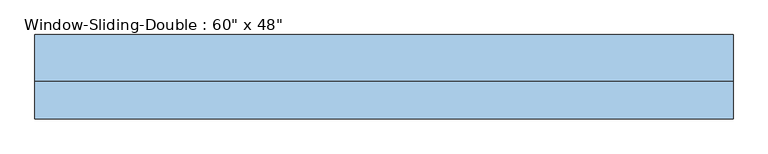
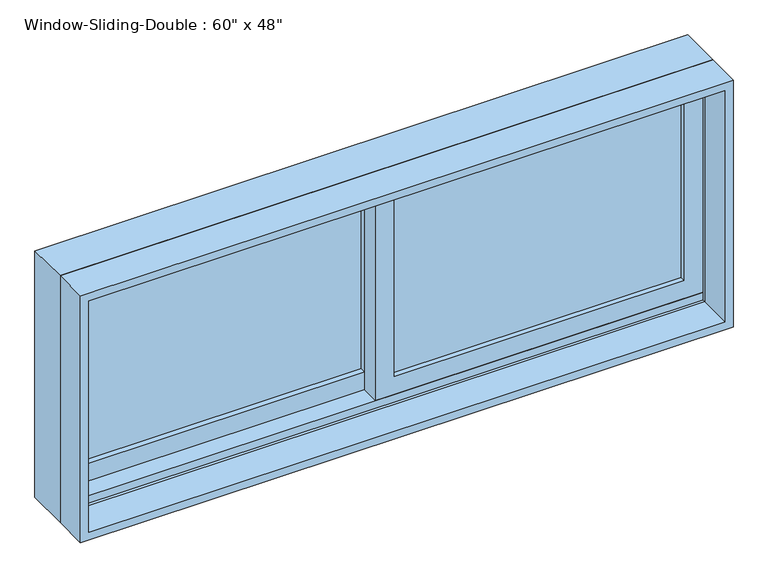
"""IFC4 building model written with IfcOpenShell, lengths in millimetres: window geometry."""

from ifc_helpers import new_model, si_unit, frame, origin, place, context, project, spatial, polyline, outline, extrude, faceted_brep, source, transform, mapped, element, save


def window_343f2ca3(model_context):
    return source(origin(), model_context, "Body", "SolidModel", [
        faceted_brep([(-762.0, -3.81, 914.4), (-762.0, 97.79, 914.4), (762.0, 97.79, 914.4), (762.0, -3.81, 914.4), (-721.0778905, 97.79, 1483.0778905), (-721.0778905, 91.44, 1483.0778905), (-721.0778905, 91.44, 933.45), (-721.0778905, 97.79, 933.45), (721.0778905, 91.44, 1483.0778905), (721.0778905, 91.44, 933.45), (742.95, 91.44, 933.45), (742.95, 91.44, 1504.95), (-742.95, 91.44, 1504.95), (-742.95, 91.44, 933.45), (-742.95, -3.81, 1504.95), (-742.95, -3.81, 933.45), (-742.95, 2.54, 933.45), (-742.95, 2.54, 952.5), (-742.95, 46.99, 952.5), (-742.95, 46.99, 933.45), (762.0, -3.81, 1524.0), (-762.0, -3.81, 1524.0), (742.95, -3.81, 1504.95), (742.95, -3.81, 933.45), (-762.0, 97.79, 1524.0), (762.0, 97.79, 1524.0), (721.0778905, 97.79, 933.45), (721.0778905, 97.79, 1483.0778905), (742.95, 46.99, 933.45), (742.95, 46.99, 952.5), (742.95, 2.54, 952.5), (742.95, 2.54, 933.45)], [[[0, 1, 2, 3]], [[4, 5, 6, 7]], [[5, 8, 9, 10, 11, 12, 13, 6]], [[12, 14, 15, 16, 17, 18, 19, 13]], [[0, 3, 20, 21], [22, 23, 15, 14]], [[24, 1, 0, 21]], [[2, 1, 24, 25], [4, 7, 26, 27]], [[5, 4, 27, 8]], [[12, 11, 22, 14]], [[21, 20, 25, 24]], [[8, 27, 26, 9]], [[22, 11, 10, 28, 29, 30, 31, 23]], [[20, 3, 2, 25]], [[26, 7, 6, 13, 19, 28, 10, 9]], [[28, 19, 18, 29]], [[29, 18, 17, 30]], [[30, 17, 16, 31]], [[15, 23, 31, 16]]]),
        extrude(outline(polyline([(1524.0, -762.0), (914.4, -762.0), (914.4, 762.0), (1524.0, 762.0), (1524.0, -762.0)]), holes=[polyline([(1504.95, 742.95), (933.45, 742.95), (933.45, -742.95), (1504.95, -742.95), (1504.95, 742.95)])]), frame((0.0, -86.36, 0.0), z_axis=(0.0, 1.0, 0.0), x_axis=(0.0, 0.0, 1.0)), (0.0, 0.0, 1.0), 82.55),
        extrude(outline(polyline([(698.5, 34.29), (698.5, 27.94), (22.225, 27.94), (22.225, 34.29), (698.5, 34.29)])), frame((0.0, 0.0, 996.95), z_axis=(0.0, 0.0, 1.0), x_axis=(1.0, 0.0, 0.0)), (0.0, 0.0, 1.0), 463.55),
        extrude(outline(polyline([(698.5, 21.59), (698.5, 15.24), (22.225, 15.24), (22.225, 21.59), (698.5, 21.59)])), frame((0.0, 0.0, 996.95), z_axis=(0.0, 0.0, 1.0), x_axis=(1.0, 0.0, 0.0)), (0.0, 0.0, 1.0), 463.55),
        extrude(outline(polyline([(-22.225, 78.74), (-22.225, 72.39), (-698.5, 72.39), (-698.5, 78.74), (-22.225, 78.74)])), frame((0.0, 0.0, 996.95), z_axis=(0.0, 0.0, 1.0), x_axis=(1.0, 0.0, 0.0)), (0.0, 0.0, 1.0), 463.55),
        extrude(outline(polyline([(-22.225, 66.04), (-22.225, 59.69), (-698.5, 59.69), (-698.5, 66.04), (-22.225, 66.04)])), frame((0.0, 0.0, 996.95), z_axis=(0.0, 0.0, 1.0), x_axis=(1.0, 0.0, 0.0)), (0.0, 0.0, 1.0), 463.55),
        extrude(outline(polyline([(933.45, -742.95), (933.45, 22.225), (1504.95, 22.225), (1504.95, -742.95), (933.45, -742.95)]), holes=[polyline([(1460.5, -22.225), (996.95, -22.225), (996.95, -698.5), (1460.5, -698.5), (1460.5, -22.225)])]), frame((0.0, 46.99, 0.0), z_axis=(0.0, 1.0, 0.0), x_axis=(0.0, 0.0, 1.0)), (0.0, 0.0, 1.0), 44.45),
        extrude(outline(polyline([(952.5, 742.95), (1504.95, 742.95), (1504.95, -22.225), (952.5, -22.225), (952.5, 742.95)]), holes=[polyline([(996.95, 22.225), (1460.5, 22.225), (1460.5, 698.5), (996.95, 698.5), (996.95, 22.225)])]), frame((0.0, 2.54, 0.0), z_axis=(0.0, 1.0, 0.0), x_axis=(0.0, 0.0, 1.0)), (0.0, 0.0, 1.0), 44.45),
    ])


if __name__ == "__main__":
    model = new_model("IFC4")
    model_context = context("Model", 3, world=origin())
    ifc_project = project(units=[si_unit("LENGTHUNIT", "METRE", prefix="MILLI")], contexts=[model_context])
    site = spatial("IfcSite", under=ifc_project)
    building = spatial("IfcBuilding", under=site)
    placement = place(None, origin())
    window_shape = window_343f2ca3(model_context)
    element("IfcWindow", 1, ObjectType="Window-Sliding-Double : 60\" x 48\"", at=placement, inside=building, context=model_context, shape_type="MappedRepresentation", body=[
        mapped(window_shape, transform((0.0, 0.0, 0.0), x_axis=(1.0, 0.0, 0.0), y_axis=(0.0, 1.0, 0.0), z_axis=(0.0, 0.0, 1.0))),
    ])
    save(model, "model.ifc")
